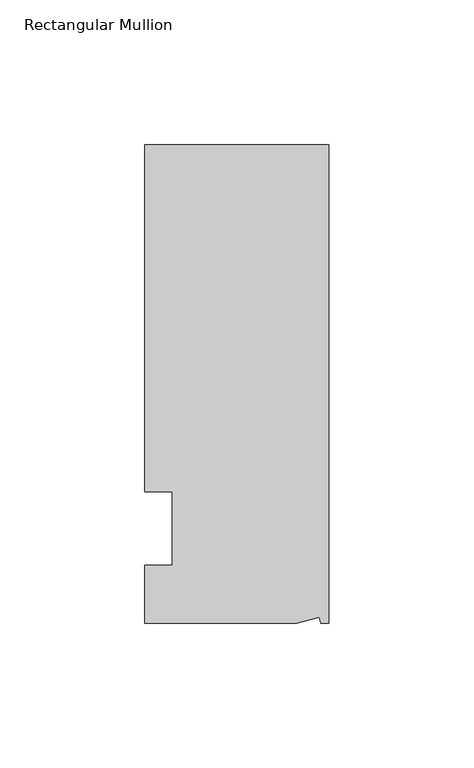
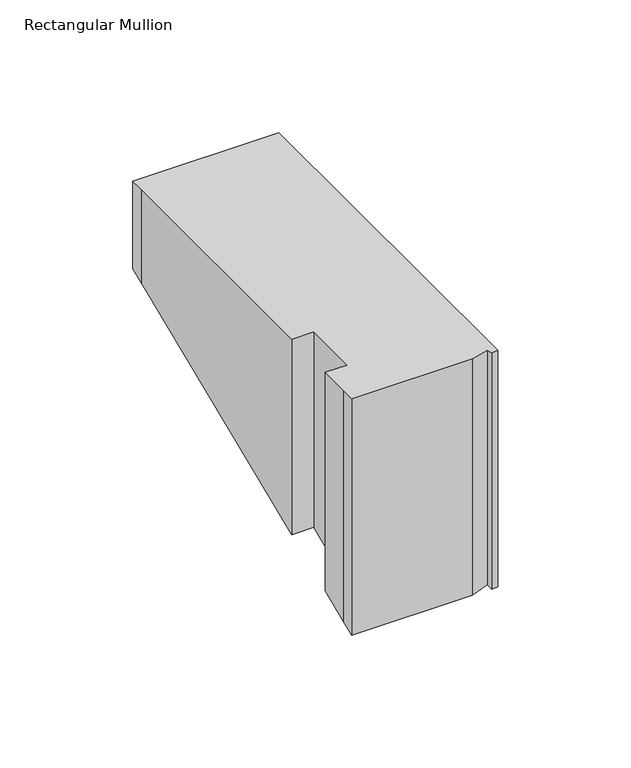
"""IFC4 building model written with IfcOpenShell, lengths in millimetres: member geometry, Rectangular Mullion."""

from ifc_helpers import new_model, si_unit, origin, place, context, project, spatial, faceted_brep, source, transform, mapped, element, save


def rectangular_mullion_13a48388(model_context):
    return source(origin(), model_context, "Body", "Brep", [
        faceted_brep([(0.0, 132.5561012, 0.0), (-63.5, 132.5561012, 0.0), (-63.5, 126.2061012, 0.0), (-63.5, 12.8054199, 0.0), (-53.975, 12.8054199, 0.0), (-53.975, -12.5945801, 0.0), (-63.5, -12.5945801, 0.0), (-63.5, -26.1938988, 0.0), (-63.5, -32.5438988, 0.0), (-11.121847, -32.5438988, 0.0), (-3.3341886, -30.4622958, 0.0), (-2.7616541, -32.5438988, 0.0), (0.0, -32.5438988, 0.0), (0.0, 132.5561012, -40.3434651), (-63.5, 132.5561012, -40.3434651), (-63.5, 126.2061012, -42.9737212), (-63.5, 12.8054199, -89.9458214), (-53.975, 12.8054199, -89.9458214), (-53.975, -12.5945801, -100.4668459), (-63.5, -12.5945801, -100.4668459), (-63.5, -26.1938988, -106.0998681), (-63.5, -32.5438988, -108.7301243), (-11.121847, -32.5438988, -108.7301243), (-3.3341886, -30.4622958, -107.867896), (-2.7616541, -32.5438988, -108.7301243), (0.0, -32.5438988, -108.7301243)], [[[0, 1, 2, 3, 4, 5, 6, 7, 8, 9, 10, 11, 12]], [[1, 0, 13, 14]], [[2, 1, 14, 15]], [[3, 2, 15, 16]], [[4, 3, 16, 17]], [[5, 4, 17, 18]], [[6, 5, 18, 19]], [[7, 6, 19, 20]], [[8, 7, 20, 21]], [[9, 8, 21, 22]], [[10, 9, 22, 23]], [[11, 10, 23, 24]], [[12, 11, 24, 25]], [[0, 12, 25, 13]], [[13, 25, 24, 23, 22, 21, 20, 19, 18, 17, 16, 15, 14]]]),
    ])


if __name__ == "__main__":
    model = new_model("IFC4")
    model_context = context("Model", 3, world=origin())
    ifc_project = project(units=[si_unit("LENGTHUNIT", "METRE", prefix="MILLI")], contexts=[model_context])
    site = spatial("IfcSite", under=ifc_project)
    building = spatial("IfcBuilding", under=site)
    placement = place(None, origin())
    rectangular_mullion_shape = rectangular_mullion_13a48388(model_context)
    element("IfcMember", 1, ObjectType="Rectangular Mullion", at=placement, inside=building, context=model_context, shape_type="MappedRepresentation", body=[
        mapped(rectangular_mullion_shape, transform((0.0, 0.0, 0.0), x_axis=(1.0, 0.0, 0.0), y_axis=(0.0, 1.0, 0.0), z_axis=(0.0, 0.0, 1.0))),
    ])
    save(model, "model.ifc")
